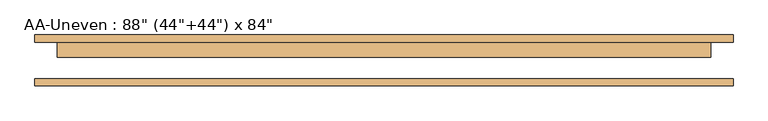
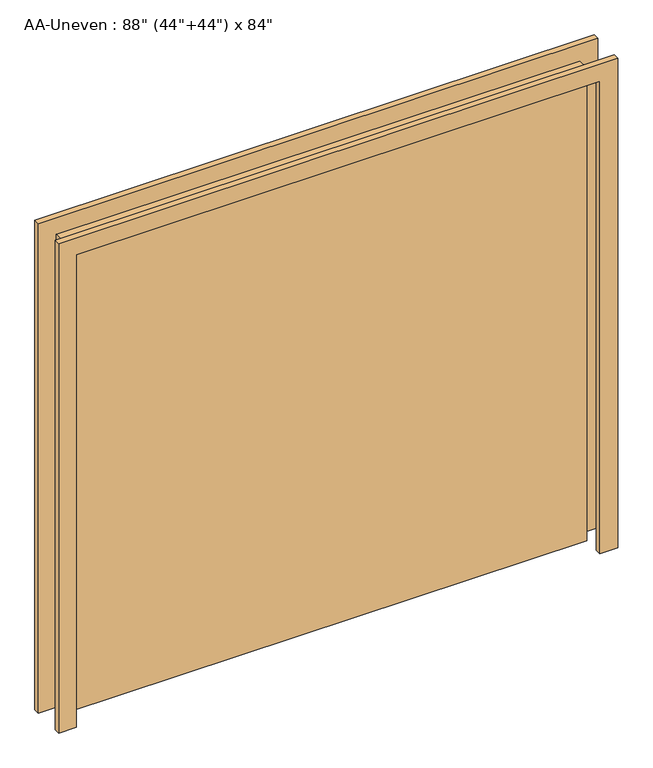
"""IFC4 building model written with IfcOpenShell, lengths in millimetres: door geometry."""

from ifc_helpers import new_model, si_unit, frame, origin, origin_with_axes, place, context, project, spatial, polyline, outline, extrude, source, transform, mapped, element, save


def door_26cd887b(model_context):
    return source(origin(), model_context, "Body", "SweptSolid", [
        extrude(outline(polyline([(101.6, 61.9125), (101.6, 11.1125), (-2133.6, 11.1125), (-2133.6, 61.9125), (101.6, 61.9125)])), origin_with_axes(), (0.0, 0.0, 1.0), 2133.6),
        extrude(outline(polyline([(2133.6, -2133.6), (2133.6, 101.6), (0.0, 101.6), (0.0, 177.8), (2209.8, 177.8), (2209.8, -2209.8), (0.0, -2209.8), (0.0, -2133.6), (2133.6, -2133.6)])), frame((0.0, -87.3125, 0.0), z_axis=(0.0, 1.0, 0.0), x_axis=(0.0, 0.0, 1.0)), (0.0, 0.0, 1.0), 25.4),
        extrude(outline(polyline([(2133.6, -2133.6), (2133.6, 101.6), (0.0, 101.6), (0.0, 177.8), (2209.8, 177.8), (2209.8, -2209.8), (0.0, -2209.8), (0.0, -2133.6), (2133.6, -2133.6)])), frame((0.0, 61.9125, 0.0), z_axis=(0.0, 1.0, 0.0), x_axis=(0.0, 0.0, 1.0)), (0.0, 0.0, 1.0), 25.4),
    ])


if __name__ == "__main__":
    model = new_model("IFC4")
    model_context = context("Model", 3, world=origin())
    ifc_project = project(units=[si_unit("LENGTHUNIT", "METRE", prefix="MILLI")], contexts=[model_context])
    site = spatial("IfcSite", under=ifc_project)
    building = spatial("IfcBuilding", under=site)
    placement = place(None, origin())
    door_shape = door_26cd887b(model_context)
    element("IfcDoor", 1, ObjectType="AA-Uneven : 88\" (44\"+44\") x 84\"", at=placement, inside=building, context=model_context, shape_type="MappedRepresentation", body=[
        mapped(door_shape, transform((0.0, 0.0, 0.0), x_axis=(1.0, 0.0, 0.0), y_axis=(0.0, 1.0, 0.0), z_axis=(0.0, 0.0, 1.0))),
    ])
    save(model, "model.ifc")
